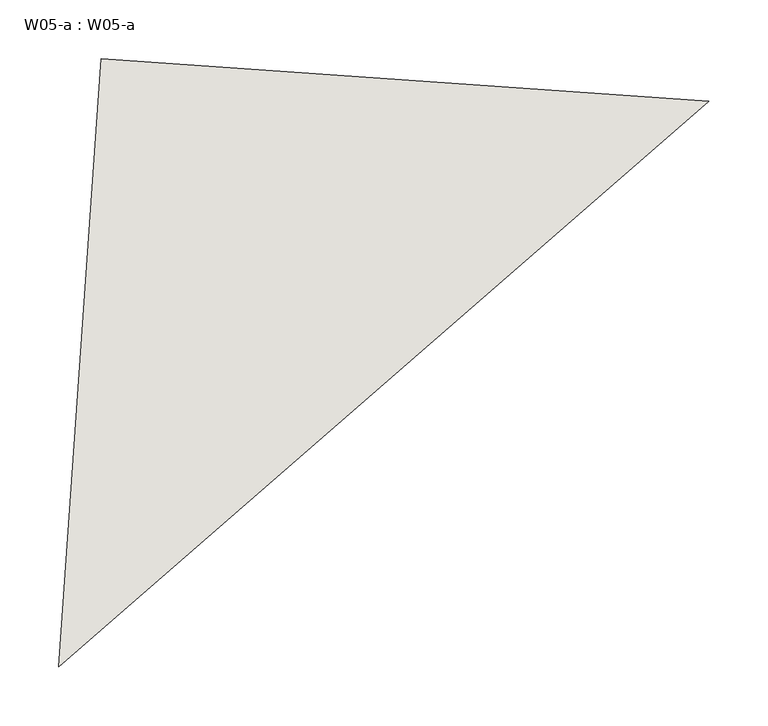
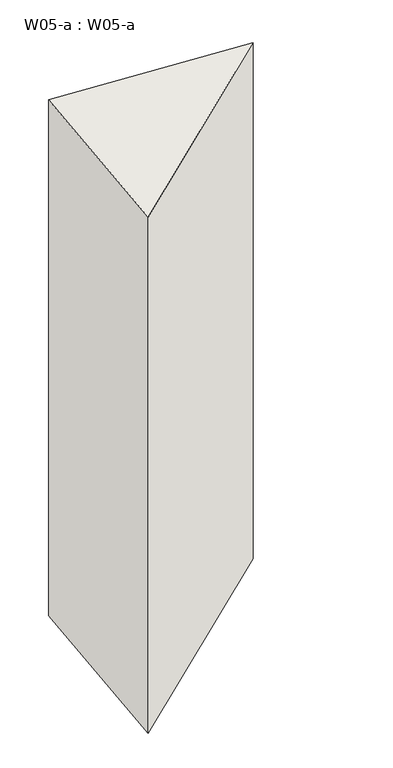
"""IFC4 building model written with IfcOpenShell, lengths in millimetres: wall geometry, W05-a : W05-a."""

from ifc_helpers import new_model, si_unit, frame, origin, place, context, project, spatial, polyline, outline, extrude, source, transform, mapped, element, save


def w05_a_w05_a_e5d72831(model_context):
    return source(origin(), model_context, "Body", "SweptSolid", [
        extrude(outline(polyline([(-70745.0188341, 73532.6065915), (-71300.0260771, 73050.147308), (-71263.7527538, 73568.8800005), (-70745.0188341, 73532.6065915)])), frame((0.0, 0.0, 2650.0), z_axis=(0.0, 0.0, 1.0), x_axis=(1.0, 0.0, 0.0)), (0.0, 0.0, 1.0), 1440.0),
    ])


if __name__ == "__main__":
    model = new_model("IFC4")
    model_context = context("Model", 3, world=origin())
    ifc_project = project(units=[si_unit("LENGTHUNIT", "METRE", prefix="MILLI")], contexts=[model_context])
    site = spatial("IfcSite", under=ifc_project)
    building = spatial("IfcBuilding", under=site)
    placement = place(None, origin())
    w05_a_w05_a_shape = w05_a_w05_a_e5d72831(model_context)
    element("IfcWall", 1, ObjectType="W05-a : W05-a", at=placement, inside=building, context=model_context, shape_type="MappedRepresentation", body=[
        mapped(w05_a_w05_a_shape, transform((0.0, 0.0, 0.0), x_axis=(1.0, 0.0, 0.0), y_axis=(0.0, 1.0, 0.0), z_axis=(0.0, 0.0, 1.0))),
    ])
    save(model, "model.ifc")
